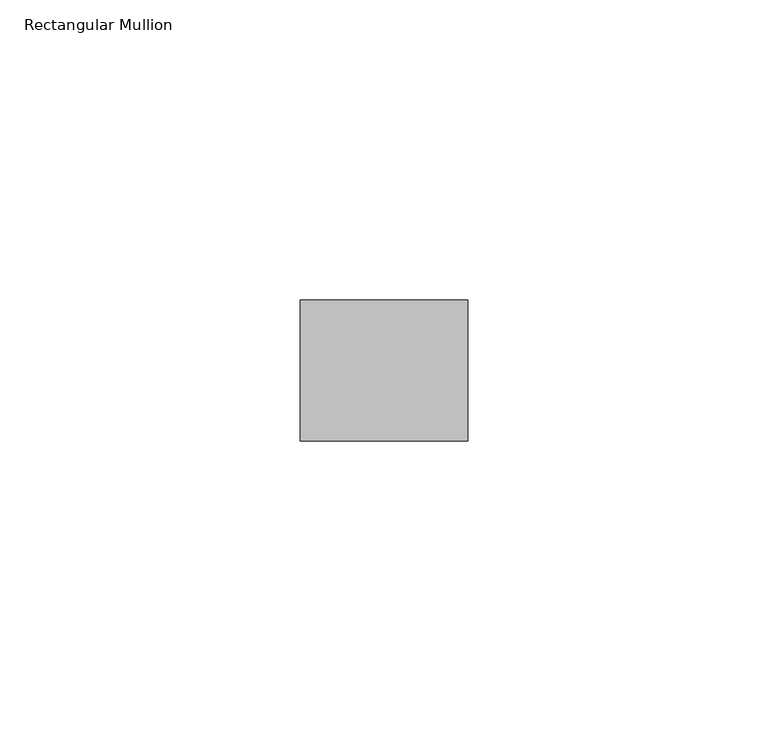
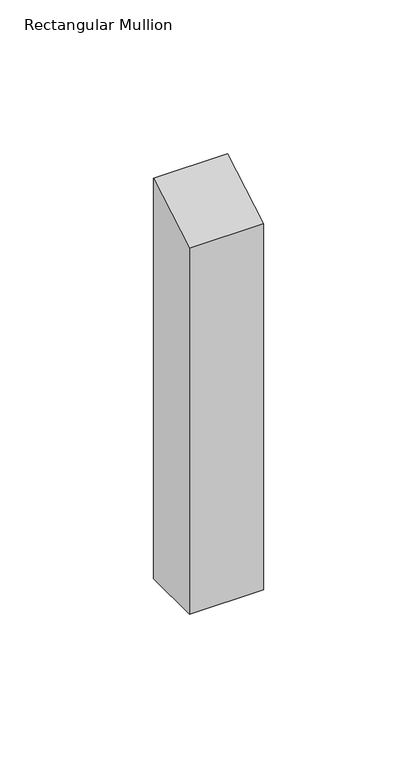
"""IFC4 building model written with IfcOpenShell, lengths in millimetres: member geometry, Rectangular Mullion."""

import ifcopenshell
import ifcopenshell.guid

model = None  # the IFC model being written
_history = None  # IfcOwnerHistory: only IFC2X3 demands one
_inside = {}  # id of a spatial element -> (the spatial element, [elements in it])
_under = {}  # id of a project, library or spatial element -> (it, [spatial elements below it])
_declared = {}  # id of a project -> (the project, [libraries it declares])
_typed = {}  # id of a type object -> (the type object, [elements of that type])
_made_of = {}  # id of a material, layer set ... -> (it, [elements and type objects made of it])


def new_model(schema):
    """Start an empty IFC model of exactly this schema.

    Asked for "IFC4X3", IfcOpenShell would pick the latest addendum, in which some entities
    have other attributes; the version numbers below select the first issue.
    IFC2X3 requires an IfcOwnerHistory on every rooted entity: one is made here for all.
    """
    global model, _history
    if schema == "IFC4X3":
        model = ifcopenshell.file(schema_version=(4, 3, 0, 0))
    else:
        model = ifcopenshell.file(schema=schema)
    _inside.clear()
    _under.clear()
    _declared.clear()
    _typed.clear()
    _made_of.clear()
    _history = None
    if model.schema == "IFC2X3":
        org = make("IfcOrganization", Name="unknown")
        user = make(
            "IfcPersonAndOrganization",
            ThePerson=make("IfcPerson", FamilyName="unknown"),
            TheOrganization=org,
        )
        app = make(
            "IfcApplication",
            ApplicationDeveloper=org,
            Version="unknown",
            ApplicationFullName="unknown",
            ApplicationIdentifier="unknown",
        )
        _history = make(
            "IfcOwnerHistory",
            OwningUser=user,
            OwningApplication=app,
            ChangeAction="ADDED",
            CreationDate=0,
        )
    return model


def make(cls, **values):
    """One entity of the class cls with the attributes given. An attribute that is None is left unset."""
    return model.create_entity(
        cls, **{name: value for name, value in values.items() if value is not None}
    )


def rooted(cls, **values):
    """An entity with a GlobalId (a new one), such as an element, a storey or a relation."""
    return make(cls, GlobalId=ifcopenshell.guid.new(), OwnerHistory=_history, **values)


def si_unit(unit_type, name, prefix=None):
    """IfcSIUnit, for example si_unit("LENGTHUNIT", "METRE", prefix="MILLI")."""
    return make("IfcSIUnit", UnitType=unit_type, Prefix=prefix, Name=name)


def assignment(units):
    """IfcUnitAssignment: the units of a project."""
    return None if units is None else make("IfcUnitAssignment", Units=units)


def point(xyz):
    """IfcCartesianPoint."""
    return None if xyz is None else make("IfcCartesianPoint", Coordinates=xyz)


def direction(xyz):
    """IfcDirection."""
    return None if xyz is None else make("IfcDirection", DirectionRatios=xyz)


def frame(location, z_axis=None, x_axis=None):
    """IfcAxis2Placement3D, a coordinate frame: its origin and axes. An axis left out is left unset."""
    return make(
        "IfcAxis2Placement3D",
        Location=point(location),
        Axis=direction(z_axis),
        RefDirection=direction(x_axis),
    )


def origin():
    """The frame at (0, 0, 0) with its axes left unset."""
    return frame((0.0, 0.0, 0.0))


def place(relative_to, where):
    """IfcLocalPlacement: puts the frame where relative to a parent placement (None: the world)."""
    return make(
        "IfcLocalPlacement", PlacementRelTo=relative_to, RelativePlacement=where
    )


def context(
    kind, dimensions, precision=None, world=None, true_north=None, identifier=None
):
    """IfcGeometricRepresentationContext, for example the 3D "Model" context."""
    return make(
        "IfcGeometricRepresentationContext",
        ContextIdentifier=identifier,
        ContextType=kind,
        CoordinateSpaceDimension=dimensions,
        Precision=precision,
        WorldCoordinateSystem=world,
        TrueNorth=true_north,
    )


def project(units=None, contexts=None):
    """IfcProject with its units and contexts."""
    return rooted(
        "IfcProject",
        Name="project",
        RepresentationContexts=contexts,
        UnitsInContext=assignment(units),
    )


def spatial(cls, under=None, at=None, **own):
    """A site, building, storey or space (cls), placed at a placement, below another one or the project."""
    s = rooted(cls, ObjectPlacement=at, **own)
    if under is not None:
        _under.setdefault(under.id(), (under, []))[1].append(s)
    return s


def polyline(points):
    """IfcPolyline through the points."""
    return make("IfcPolyline", Points=[point(p) for p in points])


def outline(outer, holes=None, kind="AREA"):
    """IfcArbitraryClosedProfileDef: a profile drawn as a closed curve; with holes, ...WithVoids."""
    if holes is None:
        return make("IfcArbitraryClosedProfileDef", ProfileType=kind, OuterCurve=outer)
    return make(
        "IfcArbitraryProfileDefWithVoids",
        ProfileType=kind,
        OuterCurve=outer,
        InnerCurves=holes,
    )


def extrude(swept, where, along, depth):
    """IfcExtrudedAreaSolid: the profile swept, set in the frame where, extruded along a direction by depth."""
    return make(
        "IfcExtrudedAreaSolid",
        SweptArea=swept,
        Position=where,
        ExtrudedDirection=direction(along),
        Depth=depth,
    )


def shape(context_of_items, identifier, shape_type, items):
    """IfcShapeRepresentation: the items that make up one representation, for example the "Body"."""
    return make(
        "IfcShapeRepresentation",
        ContextOfItems=context_of_items,
        RepresentationIdentifier=identifier,
        RepresentationType=shape_type,
        Items=items,
    )


def source(mapping_origin, context_of_items, identifier, shape_type, items):
    """IfcRepresentationMap: a shape defined once, which mapped items show again and again."""
    return make(
        "IfcRepresentationMap",
        MappingOrigin=mapping_origin,
        MappedRepresentation=shape(context_of_items, identifier, shape_type, items),
    )


def transform(
    local_origin,
    x_axis=None,
    y_axis=None,
    z_axis=None,
    scale=None,
    scale2=None,
    scale3=None,
    uniform=True,
):
    """IfcCartesianTransformationOperator3D, or its non-uniform kind. x_axis, y_axis, z_axis: its Axis1, 2, 3."""
    if uniform:
        return make(
            "IfcCartesianTransformationOperator3D",
            Axis1=direction(x_axis),
            Axis2=direction(y_axis),
            LocalOrigin=point(local_origin),
            Scale=scale,
            Axis3=direction(z_axis),
        )
    return make(
        "IfcCartesianTransformationOperator3DnonUniform",
        Axis1=direction(x_axis),
        Axis2=direction(y_axis),
        LocalOrigin=point(local_origin),
        Scale=scale,
        Axis3=direction(z_axis),
        Scale2=scale2,
        Scale3=scale3,
    )


def mapped(mapping_source, mapping_target):
    """IfcMappedItem: shows the shape of a source again, moved by a transform."""
    return make(
        "IfcMappedItem", MappingSource=mapping_source, MappingTarget=mapping_target
    )


def made_of(thing, what):
    """Note that an element or type object is made of a material, layer set ...; save() writes the relation."""
    if what is not None:
        _made_of.setdefault(what.id(), (what, []))[1].append(thing)
    return thing


def element(
    cls,
    number,
    at=None,
    inside=None,
    cuts=None,
    type_object=None,
    material=None,
    context=None,
    identifier="Body",
    shape_type=None,
    held_by="IfcProductDefinitionShape",
    body=None,
    shapes=None,
    **own,
):
    """One element of the class cls, such as IfcWall. Its Tag is "e" and its number.

    at: its placement. inside: the storey or other place that contains it. cuts: it is an
    opening in that element (IfcRelVoidsElement). A single representation is given by context,
    identifier, shape_type and body (its items); several are given by shapes. held_by: the class
    of the entity that holds the representations. save() writes the other relations.
    """
    e = rooted(cls, Tag="e%d" % number, ObjectPlacement=at, **own)
    if body is not None:
        shapes = [shape(context, identifier, shape_type, body)]
    if shapes is not None:
        e.Representation = make(held_by, Representations=shapes)
    if inside is not None:
        _inside.setdefault(inside.id(), (inside, []))[1].append(e)
    if cuts is not None:
        rooted(
            "IfcRelVoidsElement", RelatingBuildingElement=cuts, RelatedOpeningElement=e
        )
    if type_object is not None:
        _typed.setdefault(type_object.id(), (type_object, []))[1].append(e)
    return made_of(e, material)


def aggregate(whole, parts):
    """IfcRelAggregates: a whole, such as a stair, and the parts it consists of."""
    return rooted("IfcRelAggregates", RelatingObject=whole, RelatedObjects=parts)


def save(model, path):
    """Write the relations noted so far, then the file.

    IfcRelAggregates (storeys below a building ...), IfcRelContainedInSpatialStructure (elements
    in a storey), IfcRelDefinesByType, IfcRelAssociatesMaterial and IfcRelDeclares: one each for
    every whole, place, type object, material and project.
    """
    for whole, parts in _under.values():
        aggregate(whole, parts)
    for where, things in _inside.values():
        rooted(
            "IfcRelContainedInSpatialStructure",
            RelatedElements=things,
            RelatingStructure=where,
        )
    for kind, things in _typed.values():
        rooted("IfcRelDefinesByType", RelatedObjects=things, RelatingType=kind)
    for what, things in _made_of.values():
        rooted("IfcRelAssociatesMaterial", RelatedObjects=things, RelatingMaterial=what)
    for by, libraries in _declared.values():
        rooted("IfcRelDeclares", RelatingContext=by, RelatedDefinitions=libraries)
    model.write(path)


def rectangular_mullion_23c2108c(model_context):
    return source(origin(), model_context, "Body", "SweptSolid", [
        extrude(outline(polyline([(-11.7474999, -6.7824222), (11.7474999, 6.7824222), (11.7474999, -152.4), (-11.7474999, -152.4), (-11.7474999, -6.7824222)])), frame((-27.94, 0.0, 0.0), z_axis=(1.0, 0.0, 0.0), x_axis=(0.0, 1.0, 0.0)), (0.0, 0.0, 1.0), 27.94),
    ])


if __name__ == "__main__":
    model = new_model("IFC4")
    model_context = context("Model", 3, world=origin())
    ifc_project = project(units=[si_unit("LENGTHUNIT", "METRE", prefix="MILLI")], contexts=[model_context])
    site = spatial("IfcSite", under=ifc_project)
    building = spatial("IfcBuilding", under=site)
    placement = place(None, origin())
    rectangular_mullion_shape = rectangular_mullion_23c2108c(model_context)
    element("IfcMember", 1, ObjectType="Rectangular Mullion", at=placement, inside=building, context=model_context, shape_type="MappedRepresentation", body=[
        mapped(rectangular_mullion_shape, transform((0.0, 0.0, 0.0), x_axis=(1.0, 0.0, 0.0), y_axis=(0.0, 1.0, 0.0), z_axis=(0.0, 0.0, 1.0))),
    ])
    save(model, "model.ifc")
